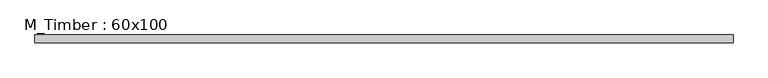
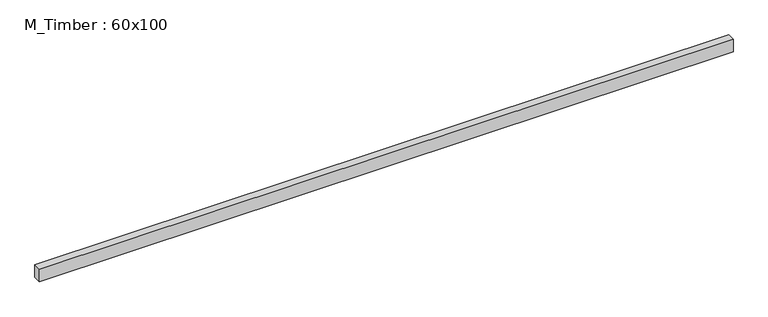
"""IFC4 building model written with IfcOpenShell, lengths in millimetres: beam geometry, M_Timber : 60x100."""

from ifc_helpers import new_model, si_unit, frame, origin, place, context, project, spatial, polyline, outline, extrude, source, transform, mapped, element, save


def m_timber_60x100_b9fc0b0a(model_context):
    return source(origin(), model_context, "Body", "SweptSolid", [
        extrude(outline(polyline([(2711.0448984, 30.0), (2711.0448984, -30.0), (-2524.6524164, -30.0), (-2524.6524164, 30.0), (2711.0448984, 30.0)])), frame((0.0, 0.0, -50.0), z_axis=(0.0, 0.0, 1.0), x_axis=(1.0, 0.0, 0.0)), (0.0, 0.0, 1.0), 100.0),
    ])


if __name__ == "__main__":
    model = new_model("IFC4")
    model_context = context("Model", 3, world=origin())
    ifc_project = project(units=[si_unit("LENGTHUNIT", "METRE", prefix="MILLI")], contexts=[model_context])
    site = spatial("IfcSite", under=ifc_project)
    building = spatial("IfcBuilding", under=site)
    placement = place(None, origin())
    m_timber_60x100_shape = m_timber_60x100_b9fc0b0a(model_context)
    element("IfcBeam", 1, ObjectType="M_Timber : 60x100", at=placement, inside=building, context=model_context, shape_type="MappedRepresentation", body=[
        mapped(m_timber_60x100_shape, transform((0.0, 0.0, 0.0), x_axis=(1.0, 0.0, 0.0), y_axis=(0.0, 1.0, 0.0), z_axis=(0.0, 0.0, 1.0))),
    ])
    save(model, "model.ifc")
